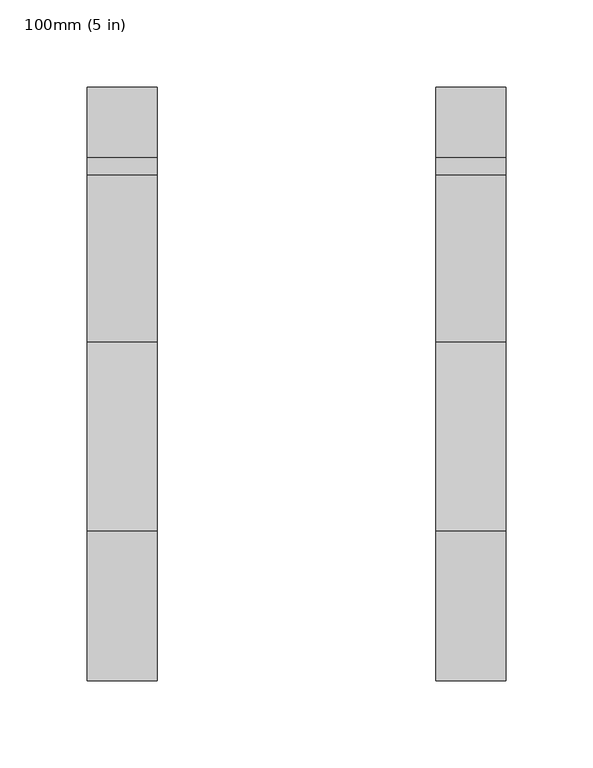
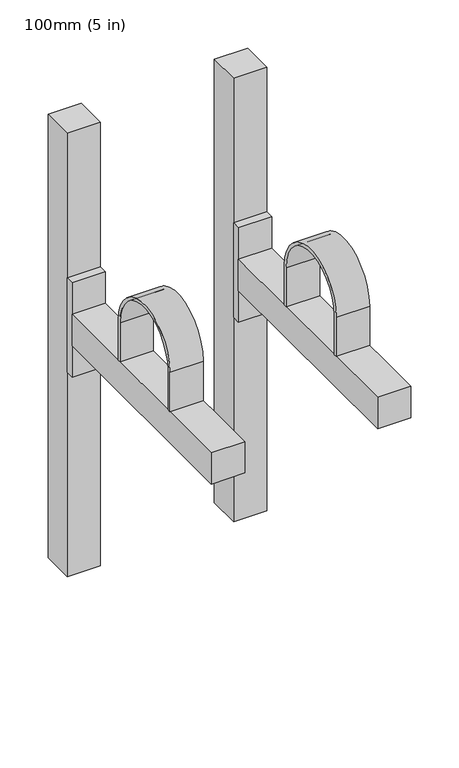
"""IFC4 building model written with IfcOpenShell, lengths in millimetres: proxy geometry, 100mm (5 in)."""

from ifc_helpers import new_model, si_unit, point, frame, frame_2d, origin, origin_with_axes, place, context, project, spatial, polyline, circle_curve, trimmed, segment, composite_curve, outline, extrude, source, transform, mapped, element, save


def proxy_100mm_5_in_fd4757e8(model_context):
    return source(origin(), model_context, "Body", "SweptSolid", [
        extrude(outline(composite_curve([segment(polyline([(-250.0, 390.0), (-250.0, 340.0), (-254.0, 340.0), (-254.0, 390.0)]), True, "CONTINUOUS"), segment(trimmed(circle_curve(frame_2d((-200.0, 390.0)), 54.0), [point((-254.0, 390.0))], [point((-146.0, 390.0))], False, "CARTESIAN"), True, "CONTINUOUS"), segment(polyline([(-146.0, 390.0), (-146.0, 340.0), (-150.0, 340.0), (-150.0, 390.0)]), True, "CONTINUOUS"), segment(trimmed(circle_curve(frame_2d((-200.0, 390.0)), 50.0), [point((-150.0, 390.0))], [point((-250.0, 390.0))], True, "CARTESIAN"), True, "CONTINUOUS")], self_intersect=False)), frame((180.0, 0.0, 0.0), z_axis=(1.0, 0.0, 0.0), x_axis=(0.0, 1.0, 0.0)), (0.0, 0.0, 1.0), 40.0),
        extrude(outline(polyline([(220.0, -50.0), (220.0, -340.0), (180.0, -340.0), (180.0, -50.0), (220.0, -50.0)])), frame((0.0, 0.0, 300.0), z_axis=(0.0, 0.0, 1.0), x_axis=(1.0, 0.0, 0.0)), (0.0, 0.0, 1.0), 40.0),
        extrude(outline(polyline([(220.0, -40.0), (220.0, -50.0), (180.0, -50.0), (180.0, -40.0), (220.0, -40.0)])), frame((0.0, 0.0, 260.0), z_axis=(0.0, 0.0, 1.0), x_axis=(1.0, 0.0, 0.0)), (0.0, 0.0, 1.0), 120.0),
        extrude(outline(polyline([(220.0, 0.0), (220.0, -40.0), (180.0, -40.0), (180.0, 0.0), (220.0, 0.0)])), origin_with_axes(), (0.0, 0.0, 1.0), 564.1051687),
        extrude(outline(composite_curve([segment(polyline([(-250.0, 390.0), (-250.0, 340.0), (-254.0, 340.0), (-254.0, 390.0)]), True, "CONTINUOUS"), segment(trimmed(circle_curve(frame_2d((-200.0, 390.0)), 54.0), [point((-254.0, 390.0))], [point((-146.0, 390.0))], False, "CARTESIAN"), True, "CONTINUOUS"), segment(polyline([(-146.0, 390.0), (-146.0, 340.0), (-150.0, 340.0), (-150.0, 390.0)]), True, "CONTINUOUS"), segment(trimmed(circle_curve(frame_2d((-200.0, 390.0)), 50.0), [point((-150.0, 390.0))], [point((-250.0, 390.0))], True, "CARTESIAN"), True, "CONTINUOUS")], self_intersect=False)), frame((-20.0, 0.0, 0.0), z_axis=(1.0, 0.0, 0.0), x_axis=(0.0, 1.0, 0.0)), (0.0, 0.0, 1.0), 40.0),
        extrude(outline(polyline([(20.0, -50.0), (20.0, -340.0), (-20.0, -340.0), (-20.0, -50.0), (20.0, -50.0)])), frame((0.0, 0.0, 300.0), z_axis=(0.0, 0.0, 1.0), x_axis=(1.0, 0.0, 0.0)), (0.0, 0.0, 1.0), 40.0),
        extrude(outline(polyline([(20.0, -40.0), (20.0, -50.0), (-20.0, -50.0), (-20.0, -40.0), (20.0, -40.0)])), frame((0.0, 0.0, 260.0), z_axis=(0.0, 0.0, 1.0), x_axis=(1.0, 0.0, 0.0)), (0.0, 0.0, 1.0), 120.0),
        extrude(outline(polyline([(20.0, 0.0), (20.0, -40.0), (-20.0, -40.0), (-20.0, 0.0), (20.0, 0.0)])), origin_with_axes(), (0.0, 0.0, 1.0), 564.1051687),
    ])


if __name__ == "__main__":
    model = new_model("IFC4")
    model_context = context("Model", 3, world=origin())
    ifc_project = project(units=[si_unit("LENGTHUNIT", "METRE", prefix="MILLI")], contexts=[model_context])
    site = spatial("IfcSite", under=ifc_project)
    building = spatial("IfcBuilding", under=site)
    placement = place(None, origin())
    proxy_100mm_5_in_shape = proxy_100mm_5_in_fd4757e8(model_context)
    element("IfcBuildingElementProxy", 1, Name="100mm (5 in)", ObjectType="100mm (5 in)", at=placement, inside=building, context=model_context, shape_type="MappedRepresentation", body=[
        mapped(proxy_100mm_5_in_shape, transform((0.0, 0.0, 0.0), x_axis=(1.0, 0.0, 0.0), y_axis=(0.0, 1.0, 0.0), z_axis=(0.0, 0.0, 1.0))),
    ])
    save(model, "model.ifc")
